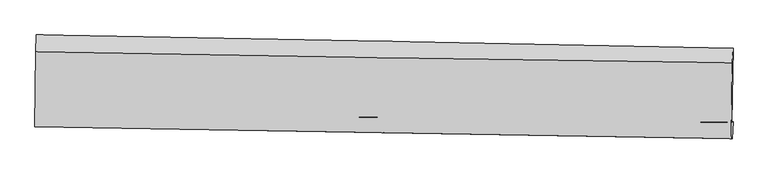
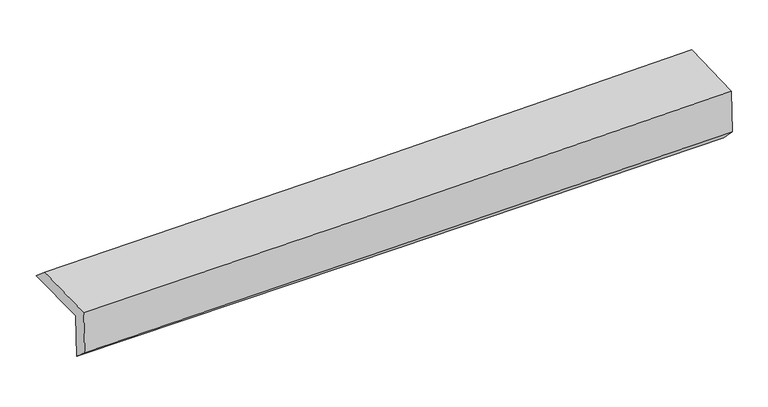
"""IFC4 building model written with IfcOpenShell, lengths in millimetres: proxy geometry."""

import ifcopenshell
import ifcopenshell.guid

model = None  # the IFC model being written
_history = None  # IfcOwnerHistory: only IFC2X3 demands one
_inside = {}  # id of a spatial element -> (the spatial element, [elements in it])
_under = {}  # id of a project, library or spatial element -> (it, [spatial elements below it])
_declared = {}  # id of a project -> (the project, [libraries it declares])
_typed = {}  # id of a type object -> (the type object, [elements of that type])
_made_of = {}  # id of a material, layer set ... -> (it, [elements and type objects made of it])


def new_model(schema):
    """Start an empty IFC model of exactly this schema.

    Asked for "IFC4X3", IfcOpenShell would pick the latest addendum, in which some entities
    have other attributes; the version numbers below select the first issue.
    IFC2X3 requires an IfcOwnerHistory on every rooted entity: one is made here for all.
    """
    global model, _history
    if schema == "IFC4X3":
        model = ifcopenshell.file(schema_version=(4, 3, 0, 0))
    else:
        model = ifcopenshell.file(schema=schema)
    _inside.clear()
    _under.clear()
    _declared.clear()
    _typed.clear()
    _made_of.clear()
    _history = None
    if model.schema == "IFC2X3":
        org = make("IfcOrganization", Name="unknown")
        user = make(
            "IfcPersonAndOrganization",
            ThePerson=make("IfcPerson", FamilyName="unknown"),
            TheOrganization=org,
        )
        app = make(
            "IfcApplication",
            ApplicationDeveloper=org,
            Version="unknown",
            ApplicationFullName="unknown",
            ApplicationIdentifier="unknown",
        )
        _history = make(
            "IfcOwnerHistory",
            OwningUser=user,
            OwningApplication=app,
            ChangeAction="ADDED",
            CreationDate=0,
        )
    return model


def make(cls, **values):
    """One entity of the class cls with the attributes given. An attribute that is None is left unset."""
    return model.create_entity(
        cls, **{name: value for name, value in values.items() if value is not None}
    )


def rooted(cls, **values):
    """An entity with a GlobalId (a new one), such as an element, a storey or a relation."""
    return make(cls, GlobalId=ifcopenshell.guid.new(), OwnerHistory=_history, **values)


def si_unit(unit_type, name, prefix=None):
    """IfcSIUnit, for example si_unit("LENGTHUNIT", "METRE", prefix="MILLI")."""
    return make("IfcSIUnit", UnitType=unit_type, Prefix=prefix, Name=name)


def assignment(units):
    """IfcUnitAssignment: the units of a project."""
    return None if units is None else make("IfcUnitAssignment", Units=units)


def point(xyz):
    """IfcCartesianPoint."""
    return None if xyz is None else make("IfcCartesianPoint", Coordinates=xyz)


def direction(xyz):
    """IfcDirection."""
    return None if xyz is None else make("IfcDirection", DirectionRatios=xyz)


def frame(location, z_axis=None, x_axis=None):
    """IfcAxis2Placement3D, a coordinate frame: its origin and axes. An axis left out is left unset."""
    return make(
        "IfcAxis2Placement3D",
        Location=point(location),
        Axis=direction(z_axis),
        RefDirection=direction(x_axis),
    )


def origin():
    """The frame at (0, 0, 0) with its axes left unset."""
    return frame((0.0, 0.0, 0.0))


def place(relative_to, where):
    """IfcLocalPlacement: puts the frame where relative to a parent placement (None: the world)."""
    return make(
        "IfcLocalPlacement", PlacementRelTo=relative_to, RelativePlacement=where
    )


def context(
    kind, dimensions, precision=None, world=None, true_north=None, identifier=None
):
    """IfcGeometricRepresentationContext, for example the 3D "Model" context."""
    return make(
        "IfcGeometricRepresentationContext",
        ContextIdentifier=identifier,
        ContextType=kind,
        CoordinateSpaceDimension=dimensions,
        Precision=precision,
        WorldCoordinateSystem=world,
        TrueNorth=true_north,
    )


def project(units=None, contexts=None):
    """IfcProject with its units and contexts."""
    return rooted(
        "IfcProject",
        Name="project",
        RepresentationContexts=contexts,
        UnitsInContext=assignment(units),
    )


def spatial(cls, under=None, at=None, **own):
    """A site, building, storey or space (cls), placed at a placement, below another one or the project."""
    s = rooted(cls, ObjectPlacement=at, **own)
    if under is not None:
        _under.setdefault(under.id(), (under, []))[1].append(s)
    return s


def shape(context_of_items, identifier, shape_type, items):
    """IfcShapeRepresentation: the items that make up one representation, for example the "Body"."""
    return make(
        "IfcShapeRepresentation",
        ContextOfItems=context_of_items,
        RepresentationIdentifier=identifier,
        RepresentationType=shape_type,
        Items=items,
    )


def source(mapping_origin, context_of_items, identifier, shape_type, items):
    """IfcRepresentationMap: a shape defined once, which mapped items show again and again."""
    return make(
        "IfcRepresentationMap",
        MappingOrigin=mapping_origin,
        MappedRepresentation=shape(context_of_items, identifier, shape_type, items),
    )


def transform(
    local_origin,
    x_axis=None,
    y_axis=None,
    z_axis=None,
    scale=None,
    scale2=None,
    scale3=None,
    uniform=True,
):
    """IfcCartesianTransformationOperator3D, or its non-uniform kind. x_axis, y_axis, z_axis: its Axis1, 2, 3."""
    if uniform:
        return make(
            "IfcCartesianTransformationOperator3D",
            Axis1=direction(x_axis),
            Axis2=direction(y_axis),
            LocalOrigin=point(local_origin),
            Scale=scale,
            Axis3=direction(z_axis),
        )
    return make(
        "IfcCartesianTransformationOperator3DnonUniform",
        Axis1=direction(x_axis),
        Axis2=direction(y_axis),
        LocalOrigin=point(local_origin),
        Scale=scale,
        Axis3=direction(z_axis),
        Scale2=scale2,
        Scale3=scale3,
    )


def mapped(mapping_source, mapping_target):
    """IfcMappedItem: shows the shape of a source again, moved by a transform."""
    return make(
        "IfcMappedItem", MappingSource=mapping_source, MappingTarget=mapping_target
    )


def made_of(thing, what):
    """Note that an element or type object is made of a material, layer set ...; save() writes the relation."""
    if what is not None:
        _made_of.setdefault(what.id(), (what, []))[1].append(thing)
    return thing


def element(
    cls,
    number,
    at=None,
    inside=None,
    cuts=None,
    type_object=None,
    material=None,
    context=None,
    identifier="Body",
    shape_type=None,
    held_by="IfcProductDefinitionShape",
    body=None,
    shapes=None,
    **own,
):
    """One element of the class cls, such as IfcWall. Its Tag is "e" and its number.

    at: its placement. inside: the storey or other place that contains it. cuts: it is an
    opening in that element (IfcRelVoidsElement). A single representation is given by context,
    identifier, shape_type and body (its items); several are given by shapes. held_by: the class
    of the entity that holds the representations. save() writes the other relations.
    """
    e = rooted(cls, Tag="e%d" % number, ObjectPlacement=at, **own)
    if body is not None:
        shapes = [shape(context, identifier, shape_type, body)]
    if shapes is not None:
        e.Representation = make(held_by, Representations=shapes)
    if inside is not None:
        _inside.setdefault(inside.id(), (inside, []))[1].append(e)
    if cuts is not None:
        rooted(
            "IfcRelVoidsElement", RelatingBuildingElement=cuts, RelatedOpeningElement=e
        )
    if type_object is not None:
        _typed.setdefault(type_object.id(), (type_object, []))[1].append(e)
    return made_of(e, material)


def aggregate(whole, parts):
    """IfcRelAggregates: a whole, such as a stair, and the parts it consists of."""
    return rooted("IfcRelAggregates", RelatingObject=whole, RelatedObjects=parts)


def save(model, path):
    """Write the relations noted so far, then the file.

    IfcRelAggregates (storeys below a building ...), IfcRelContainedInSpatialStructure (elements
    in a storey), IfcRelDefinesByType, IfcRelAssociatesMaterial and IfcRelDeclares: one each for
    every whole, place, type object, material and project.
    """
    for whole, parts in _under.values():
        aggregate(whole, parts)
    for where, things in _inside.values():
        rooted(
            "IfcRelContainedInSpatialStructure",
            RelatedElements=things,
            RelatingStructure=where,
        )
    for kind, things in _typed.values():
        rooted("IfcRelDefinesByType", RelatedObjects=things, RelatingType=kind)
    for what, things in _made_of.values():
        rooted("IfcRelAssociatesMaterial", RelatedObjects=things, RelatingMaterial=what)
    for by, libraries in _declared.values():
        rooted("IfcRelDeclares", RelatingContext=by, RelatedDefinitions=libraries)
    model.write(path)


def plane_surface(at):
    """IfcPlane: the flat surface through the origin of the frame at, square to its z axis."""
    return make("IfcPlane", Position=at)


def spline_curve(degree, points, multiplicities, knots, weights=None):
    """IfcBSplineCurveWithKnots; with weights, IfcRationalBSplineCurveWithKnots."""
    own = dict(
        Degree=degree,
        ControlPointsList=[point(p) for p in points],
        CurveForm="UNSPECIFIED",
        ClosedCurve=False,
        SelfIntersect=False,
        KnotMultiplicities=multiplicities,
        Knots=knots,
        KnotSpec="UNSPECIFIED",
    )
    if weights is None:
        return make("IfcBSplineCurveWithKnots", **own)
    return make("IfcRationalBSplineCurveWithKnots", WeightsData=weights, **own)


def spline_surface(u_degree, v_degree, points, u_multiplicities, v_multiplicities, u_knots, v_knots, weights=None):
    """IfcBSplineSurfaceWithKnots; with weights, IfcRationalBSplineSurfaceWithKnots. points: one row for each step in u."""
    own = dict(
        UDegree=u_degree,
        VDegree=v_degree,
        ControlPointsList=[[point(p) for p in row] for row in points],
        SurfaceForm="UNSPECIFIED",
        UClosed=False,
        VClosed=False,
        SelfIntersect=False,
        UMultiplicities=u_multiplicities,
        VMultiplicities=v_multiplicities,
        UKnots=u_knots,
        VKnots=v_knots,
        KnotSpec="UNSPECIFIED",
    )
    if weights is None:
        return make("IfcBSplineSurfaceWithKnots", **own)
    return make("IfcRationalBSplineSurfaceWithKnots", WeightsData=weights, **own)


def advanced_brep(points, edges, surfaces, faces):
    """IfcAdvancedBrep: a solid bounded by faces that lie on surfaces and meet in shared edges.

    An edge is (start, end): straight between two places in points (the first is 0);
    or (start, end, curve); or (start, end, curve, False) where it runs against its curve.
    A face is (place in surfaces, loops), or (place, loops, False) where it looks against
    its surface's normal. A loop lists edges by number (the first is 1), with a minus sign
    where the edge is run from its end to its start. The first loop is the outer one.
    """
    corners = [point(p) for p in points]
    vertices = [make("IfcVertexPoint", VertexGeometry=c) for c in corners]
    made = []
    for start, end, *more in edges:
        made.append(
            make(
                "IfcEdgeCurve",
                EdgeStart=vertices[start],
                EdgeEnd=vertices[end],
                EdgeGeometry=more[0] if more else make("IfcPolyline", Points=[corners[start], corners[end]]),
                SameSense=more[1] if len(more) > 1 else True,
            )
        )
    hull = []
    for where, loops, *sense in faces:
        bounds = []
        for j, loop in enumerate(loops):
            ring = [make("IfcOrientedEdge", EdgeElement=made[abs(k) - 1], Orientation=k > 0) for k in loop]
            bounds.append(
                make(
                    "IfcFaceOuterBound" if j == 0 else "IfcFaceBound",
                    Bound=make("IfcEdgeLoop", EdgeList=ring),
                    Orientation=True,
                )
            )
        hull.append(make("IfcAdvancedFace", Bounds=bounds, FaceSurface=surfaces[where], SameSense=sense[0] if sense else True))
    return make("IfcAdvancedBrep", Outer=make("IfcClosedShell", CfsFaces=hull))


def generic_models_2bf774de(model_context):
    return source(origin(), model_context, "Body", "AdvancedBrep", [
        advanced_brep(
        [(-3022.4093762, -1749.8820815, 1970.9249916), (-3013.5480965, -1092.0968466, 1969.5519464), (3010.2690965, -1207.988387, 2100.0073279), (2999.7959888, -1846.1594395, 2101.2937463), (-3012.4182273, -1745.2716664, 1563.7164057), (3010.0213706, -1841.4463485, 1685.2253525), (-3017.2913508, -1886.1822874, 1686.0123297), (3003.8372294, -1991.9888037, 1837.781309), (-3026.9832322, -1885.2209445, 2084.0143025), (2994.023777, -1991.0154021, 2240.7756584), (-3018.5243876, -1238.9857283, 2092.7885145), (3004.5866344, -1332.2344464, 2249.6352013)],
        [
            (0, 1),
            (1, 2, spline_curve(3, [(-3013.5480965, -1092.0968466, 1969.5519464), (-2009.645108623, -1108.308641702, 1998.775607929), (-1005.689064549, -1126.072609236, 2024.259001297), (1002.250007869, -1164.703367222, 2067.743538885), (2006.233028229, -1185.569913234, 2085.745272556), (3010.2690965, -1207.988387, 2100.0073279)], [4, 2, 4], [0.0, 9.884517457681186, 19.768255897612367])),
            (2, 3),
            (3, 0, spline_curve(3, [(2999.7959888, -1846.1594395, 2101.2937463), (1996.118453471, -1833.835219237, 2077.880819532), (992.449015183, -1819.650385757, 2055.310687995), (-1014.95277449, -1787.558226171, 2011.854303698), (-2018.685124451, -1769.650607363, 1990.968183492), (-3022.4093762, -1749.8820815, 1970.9249916)], [4, 2, 4], [0.0, 9.88373843993118, 19.768255897612367])),
            (4, 0),
            (3, 5),
            (5, 4, spline_curve(3, [(3010.0213706, -1841.4463485, 1685.2253525), (2006.242776772, -1829.041789028, 1665.897258681), (1002.50328947, -1814.825339849, 1646.107883586), (-1004.976582853, -1782.767398227, 1605.604973895), (-2008.716961228, -1764.925620117, 1584.891366762), (-3012.4182273, -1745.2716664, 1563.7164057)], [4, 2, 4], [0.0, 9.882185615728549, 19.76515012681641])),
            (6, 4),
            (5, 7),
            (7, 6, spline_curve(3, [(3003.8372294, -1991.9888037, 1837.781309), (2000.402306781, -1974.607429232, 1810.334648162), (996.943904429, -1957.09988501, 1783.964358507), (-1010.098951991, -1921.831066134, 1733.374529074), (-2013.683409674, -1904.069771792, 1709.155158638), (-3017.2913508, -1886.1822874, 1686.0123297)], [4, 2, 4], [0.0, 9.881801734806885, 19.764382334716306])),
            (8, 6),
            (7, 9),
            (9, 8, spline_curve(3, [(2994.023777, -1991.0154021, 2240.7756584), (1990.649638949, -1973.640057061, 2210.832841715), (987.231760434, -1956.13653214, 2182.798426955), (-1019.770569199, -1920.871733362, 2130.544340641), (-2023.355026805, -1903.110438868, 2106.324970546), (-3026.9832322, -1885.2209445, 2084.0143025)], [4, 2, 4], [0.0, 9.881466671452618, 19.763712181598706])),
            (10, 8),
            (9, 11),
            (11, 10, spline_curve(3, [(3004.5866344, -1332.2344464, 2249.6352013), (2000.85223981, -1318.628829759, 2219.699898361), (997.078905029, -1304.055639176, 2191.662129814), (-1010.624762633, -1272.97288553, 2139.379601862), (-2014.55510213, -1256.463170041, 2115.135141242), (-3018.5243876, -1238.9857283, 2092.7885145)], [4, 2, 4], [0.0, 9.883031977891727, 19.76684291785145])),
            (1, 10),
            (11, 2),
        ],
        [
            spline_surface(3, 3, [[(-3022.4093762, -1749.8820815, 1970.9249916), (-2018.685124437, -1769.650607369, 1990.968183482), (-1014.952774452, -1787.558226279, 2011.854303619), (992.449015145, -1819.650385649, 2055.310688073), (1996.118453519, -1833.835219376, 2077.880819449), (2999.7959888, -1846.1594395, 2101.2937463)], [(-3019.455616291, -1530.620336546, 1970.467309885), (-2015.67178587, -1549.203285449, 1993.570658267), (-1011.864871201, -1567.063020578, 2015.989202844), (995.716012756, -1601.334712867, 2059.45497169), (1999.489978445, -1617.746783972, 2080.502303816), (3003.287024704, -1633.435755341, 2100.864940154)], [(-3016.501856409, -1311.358591554, 1970.009628115), (-2012.65844733, -1328.755963491, 1996.173132996), (-1008.77696793, -1346.567814867, 2020.124102051), (998.983010388, -1383.019040075, 2063.599255289), (2002.861503358, -1401.658348547, 2083.12378822), (3006.778060596, -1420.712071159, 2100.436134046)], [(-3013.5480965, -1092.0968466, 1969.5519464), (-2009.645108763, -1108.308641571, 1998.775607781), (-1005.689064679, -1126.072609166, 2024.259001276), (1002.250007999, -1164.703367292, 2067.743538906), (2006.233028284, -1185.569913144, 2085.745272587), (3010.2690965, -1207.988387, 2100.0073279)]], [4, 4], [4, 2, 4], [0.0, 2.1601139347901896], [0.0, 9.884517457681186, 19.768255897612367]),
            spline_surface(3, 3, [[(-3012.4182273, -1745.2716664, 1563.7164057), (-2008.716961305, -1764.925620037, 1584.891366912), (-1004.976582753, -1782.767398175, 1605.604973955), (1002.50328937, -1814.825339902, 1646.107883527), (2006.242776802, -1829.041789148, 1665.897258705), (3010.0213706, -1841.4463485, 1685.2253525)], [(-3015.748610277, -1746.808471414, 1699.452600996), (-2012.039682359, -1766.500615795, 1720.250305765), (-1008.301979981, -1784.364340887, 1741.021417192), (999.151864634, -1816.433688495, 1782.508818391), (2002.868002359, -1830.639599228, 1803.225112286), (3006.612909985, -1843.017378838, 1823.9148171)], [(-3019.078993223, -1748.345276486, 1835.188796304), (-2015.362403383, -1768.075611611, 1855.609244629), (-1011.627377225, -1785.961283566, 1876.437860382), (995.800439881, -1818.042037055, 1918.909753208), (1999.493227961, -1832.237409295, 1940.552965868), (3003.204449415, -1844.588409162, 1962.6042817)], [(-3022.4093762, -1749.8820815, 1970.9249916), (-2018.685124437, -1769.650607369, 1990.968183482), (-1014.952774452, -1787.558226279, 2011.854303619), (992.449015145, -1819.650385649, 2055.310688073), (1996.118453519, -1833.835219376, 2077.880819449), (2999.7959888, -1846.1594395, 2101.2937463)]], [4, 4], [4, 2, 4], [0.0, 1.3381800382760063], [0.0, 9.88296451108786, 19.76515012681641]),
            spline_surface(3, 3, [[(-3017.2913508, -1886.1822874, 1686.0123297), (-2013.683409743, -1904.069771729, 1709.155158788), (-1010.098951963, -1921.831066141, 1733.374529065), (996.943904401, -1957.099885003, 1783.964358516), (2000.40230669, -1974.607429387, 1810.334648), (3003.8372294, -1991.9888037, 1837.781309)], [(-3015.666976304, -1839.212080404, 1645.247021704), (-2012.027926934, -1857.688387835, 1667.733894833), (-1008.391495583, -1875.476510159, 1690.784677349), (998.797032701, -1909.675036643, 1738.012200174), (2002.34913005, -1926.085549317, 1762.188851592), (3005.898609789, -1941.807985309, 1786.929323524)], [(-3014.042601796, -1792.241873396, 1604.481713696), (-2010.372444113, -1811.307003931, 1626.312630867), (-1006.684039133, -1829.121954156, 1648.19482567), (1000.65016107, -1862.250188262, 1692.060041869), (2004.295953443, -1877.563669219, 1714.043055113), (3007.959990211, -1891.627166891, 1736.077337976)], [(-3012.4182273, -1745.2716664, 1563.7164057), (-2008.716961305, -1764.925620037, 1584.891366912), (-1004.976582753, -1782.767398175, 1605.604973955), (1002.50328937, -1814.825339902, 1646.107883527), (2006.242776802, -1829.041789148, 1665.897258705), (3010.0213706, -1841.4463485, 1685.2253525)]], [4, 4], [4, 2, 4], [0.0, 0.6349546526731596], [0.0, 9.88258059990942, 19.764382334716306]),
            spline_surface(3, 3, [[(-3026.9832322, -1885.2209445, 2084.0143025), (-2023.355026903, -1903.11043885, 2106.324970441), (-1019.770569124, -1920.871733261, 2130.544340717), (987.231760359, -1956.136532241, 2182.798426879), (1990.649639023, -1973.640057057, 2210.832841869), (2994.023777, -1991.0154021, 2240.7756584)], [(-3023.752605065, -1885.541392125, 1951.346978235), (-2020.131154515, -1903.430216468, 1973.935033225), (-1016.546696736, -1921.191510879, 1998.154403502), (990.469141707, -1956.45764982, 2049.853737427), (1993.900528267, -1973.962514492, 2077.333443901), (2997.294927822, -1991.339869291, 2106.444208589)], [(-3020.521977935, -1885.861839775, 1818.679653965), (-2016.907282131, -1903.749994112, 1841.545096004), (-1013.322824351, -1921.511288523, 1865.76446628), (993.706523053, -1956.778767424, 1916.909047969), (1997.151417446, -1974.284971953, 1943.834045968), (3000.566078578, -1991.664336509, 1972.112758811)], [(-3017.2913508, -1886.1822874, 1686.0123297), (-2013.683409743, -1904.069771729, 1709.155158788), (-1010.098951963, -1921.831066141, 1733.374529065), (996.943904401, -1957.099885003, 1783.964358516), (2000.40230669, -1974.607429387, 1810.334648), (3003.8372294, -1991.9888037, 1837.781309)]], [4, 4], [4, 2, 4], [0.0, 1.3061713344243817], [0.0, 9.882245510146088, 19.763712181598706]),
            spline_surface(3, 3, [[(-3018.5243876, -1238.9857283, 2092.7885145), (-2014.555102124, -1256.463170078, 2115.135141317), (-1010.624762732, -1272.9728856, 2139.379601804), (997.078905129, -1304.055639106, 2191.662129872), (2000.852239738, -1318.62882961, 2219.699898314), (3004.5866344, -1332.2344464, 2249.6352013)], [(-3021.34400246, -1454.397467046, 2089.863777168), (-2017.488410377, -1472.012259681, 2112.198417693), (-1013.67336485, -1488.939168154, 2136.434514781), (993.796523552, -1521.415936819, 2188.707562214), (1997.451372819, -1536.96590542, 2216.744212847), (3001.065681919, -1551.828098294, 2246.682020349)], [(-3024.16361734, -1669.809205754, 2086.939039832), (-2020.42171865, -1687.561349247, 2109.261694065), (-1016.721967006, -1704.905450707, 2133.48942774), (990.514141936, -1738.776234529, 2185.752994537), (1994.050505942, -1755.302981247, 2213.788527335), (2997.544729481, -1771.421750206, 2243.728839351)], [(-3026.9832322, -1885.2209445, 2084.0143025), (-2023.355026903, -1903.11043885, 2106.324970441), (-1019.770569124, -1920.871733261, 2130.544340717), (987.231760359, -1956.136532241, 2182.798426879), (1990.649639023, -1973.640057057, 2210.832841869), (2994.023777, -1991.0154021, 2240.7756584)]], [4, 4], [4, 2, 4], [0.0, 2.1329373586384297], [0.0, 9.883810939959721, 19.76684291785145]),
            spline_surface(3, 3, [[(-3013.5480965, -1092.0968466, 1969.5519464), (-2009.645108763, -1108.308641571, 1998.775607781), (-1005.689064679, -1126.072609166, 2024.259001276), (1002.250007999, -1164.703367292, 2067.743538906), (2006.233028284, -1185.569913144, 2085.745272587), (3010.2690965, -1207.988387, 2100.0073279)], [(-3015.206860203, -1141.059807166, 2010.630802411), (-2011.281773219, -1157.693484406, 2037.562118938), (-1007.334297353, -1175.039367963, 2062.632534768), (1000.526307053, -1211.15412455, 2109.049735877), (2004.439432117, -1229.922885293, 2130.396814481), (3008.374942482, -1249.403740127, 2149.883285685)], [(-3016.865623897, -1190.022767734, 2051.709658489), (-2012.918437668, -1207.078327243, 2076.34863016), (-1008.979530058, -1224.006126802, 2101.006068312), (998.802606075, -1257.604881849, 2150.355932901), (2002.645835905, -1274.275857461, 2175.04835642), (3006.480788418, -1290.819093273, 2199.759243515)], [(-3018.5243876, -1238.9857283, 2092.7885145), (-2014.555102124, -1256.463170078, 2115.135141317), (-1010.624762732, -1272.9728856, 2139.379601804), (997.078905129, -1304.055639106, 2191.662129872), (2000.852239738, -1318.62882961, 2219.699898314), (3004.5866344, -1332.2344464, 2249.6352013)]], [4, 4], [4, 2, 4], [0.0, 0.6119940807696644], [0.0, 9.88570362667417, 19.770628142114084]),
            plane_surface(frame((3003.7556828, -1701.8054712, 2035.7864326), z_axis=(0.9995689648838991, -0.016354909967838276, 0.02438034784153783), x_axis=(0.024344052322050086, -0.0024146995053637957, -0.999700723388175))),
            plane_surface(frame((-3018.5291117, -1599.6065925, 1894.501415), z_axis=(-0.9996128863498867, 0.013415294080595063, -0.024374316974632573), x_axis=(-0.01347013584797899, -0.9999070952398676, 0.002087182121242759))),
        ],
        [
            (0, [[1, 2, 3, 4]]),
            (1, [[5, -4, 6, 7]]),
            (2, [[8, -7, 9, 10]]),
            (3, [[11, -10, 12, 13]]),
            (4, [[14, -13, 15, 16]]),
            (5, [[17, -16, 18, -2]]),
            (6, [[-12, -9, -6, -3, -18, -15]]),
            (7, [[-1, -5, -8, -11, -14, -17]]),
        ],
    ),
    ])


if __name__ == "__main__":
    model = new_model("IFC4")
    model_context = context("Model", 3, world=origin())
    ifc_project = project(units=[si_unit("LENGTHUNIT", "METRE", prefix="MILLI")], contexts=[model_context])
    site = spatial("IfcSite", under=ifc_project)
    building = spatial("IfcBuilding", under=site)
    placement = place(None, origin())
    generic_models_shape = generic_models_2bf774de(model_context)
    element("IfcBuildingElementProxy", 1, Name="Generic Models", at=placement, inside=building, context=model_context, shape_type="MappedRepresentation", body=[
        mapped(generic_models_shape, transform((0.0, 0.0, 0.0), x_axis=(1.0, 0.0, 0.0), y_axis=(0.0, 1.0, 0.0), z_axis=(0.0, 0.0, 1.0))),
    ])
    save(model, "model.ifc")
